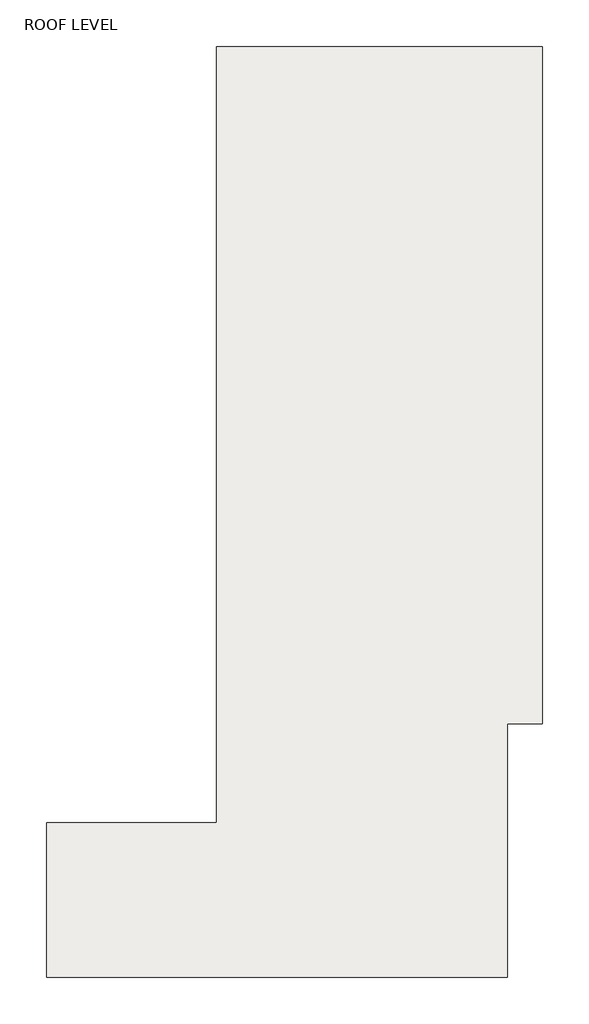
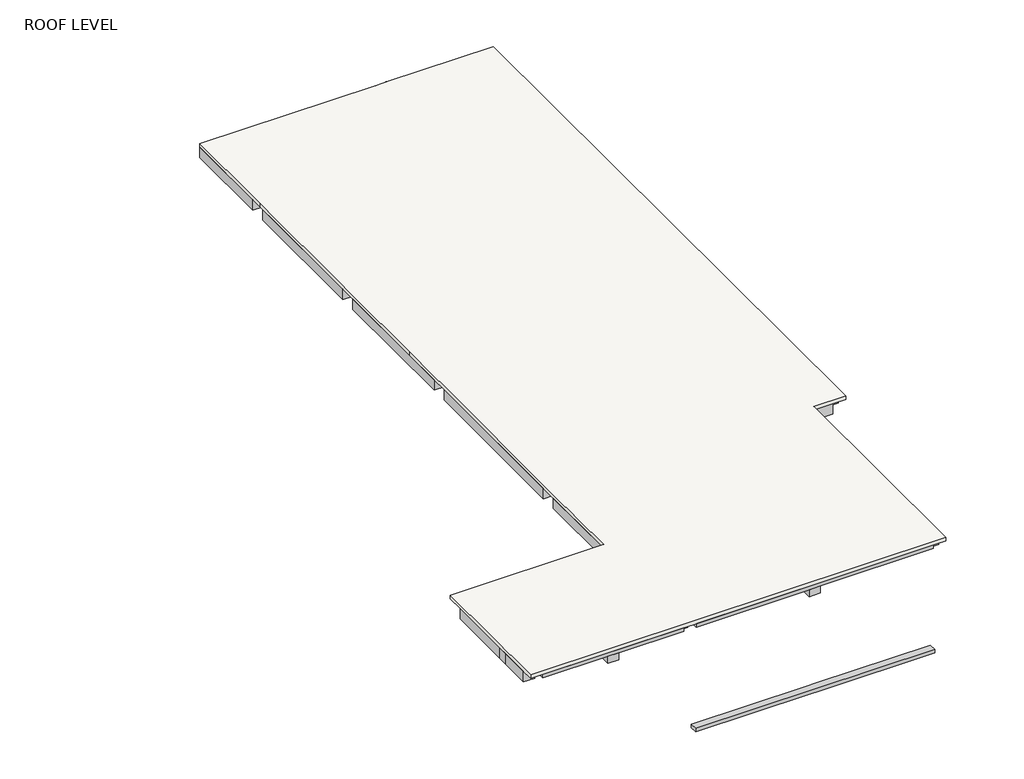
# One storey: 39 beams, 1 slab.
"""IFC4 building model written with IfcOpenShell, lengths in millimetres."""

from ifc_helpers import new_model, si_unit, frame, origin, place, context, project, spatial, polyline, outline, extrude, faceted_brep, element, save

model = new_model("IFC4")

# Units and contexts
model_context = context("Model", 3, world=origin())
ifc_project = project(units=[si_unit("LENGTHUNIT", "METRE", prefix="MILLI")], contexts=[model_context])

# Site, building, storey
site = spatial("IfcSite", under=ifc_project)
building = spatial("IfcBuilding", under=site)
storey = spatial("IfcBuildingStorey", under=building, Name="ROOF LEVEL", Elevation=6872.8300869)

# Beams
placement = place(None, origin())
element("IfcBeam", 1, ObjectType="SFA_BEAM : 300x300mm", at=placement, inside=storey, context=model_context, shape_type="Brep", body=[
    faceted_brep([(61617.0, 16905.0, 2072.8300869), (61617.0, 16905.0, 1922.8300869), (61617.0, 13855.0, 1922.8300869), (61617.0, 13405.0, 1922.8300869), (61617.0, 9655.0, 1922.8300869), (61617.0, 9655.0, 2072.8300869), (61617.0, 13405.0, 2072.8300869), (61617.0, 13855.0, 2072.8300869), (61617.0, 23325.0, 1922.8300869), (61902.0, 23325.0, 1922.8300869), (61902.0, 23775.0, 1922.8300869), (61617.0, 23775.0, 1922.8300869), (61617.0, 26560.0, 1922.8300869), (61917.0, 26560.0, 1922.8300869), (61917.0, 20565.0, 1922.8300869), (61917.0, 20115.0, 1922.8300869), (61917.0, 13855.0, 1922.8300869), (61917.0, 13405.0, 1922.8300869), (61917.0, 9655.0, 1922.8300869), (61902.0, 16905.0, 1922.8300869), (61902.0, 17355.0, 1922.8300869), (61617.0, 17355.0, 1922.8300869), (61617.0, 20115.0, 1922.8300869), (61617.0, 20565.0, 1922.8300869), (61917.0, 9655.0, 2072.8300869), (61917.0, 26560.0, 2072.8300869), (61902.0, 23325.0, 2072.8300869), (61617.0, 23325.0, 2072.8300869), (61617.0, 20565.0, 2072.8300869), (61617.0, 20115.0, 2072.8300869), (61617.0, 17355.0, 2072.8300869), (61902.0, 17355.0, 2072.8300869), (61902.0, 16905.0, 2072.8300869), (61617.0, 26560.0, 2072.8300869), (61617.0, 23775.0, 2072.8300869), (61902.0, 23775.0, 2072.8300869)], [[[0, 1, 2, 3, 4, 5, 6, 7]], [[8, 9, 10, 11, 12, 13, 14, 15, 16, 17, 18, 4, 3, 2, 1, 19, 20, 21, 22, 23]], [[24, 18, 17, 16, 15, 14, 13, 25]], [[26, 27, 28, 29, 30, 31, 32, 0, 7, 6, 5, 24, 25, 33, 34, 35]], [[26, 9, 8, 27]], [[10, 35, 34, 11]], [[9, 26, 35, 10]], [[32, 19, 1, 0]], [[20, 31, 30, 21]], [[19, 32, 31, 20]], [[5, 4, 18, 24]], [[11, 34, 33, 12]], [[27, 8, 23, 22, 21, 30, 29, 28]], [[13, 12, 33, 25]]]),
    faceted_brep([(61617.0, 29740.0, 1922.8300869), (61617.0, 29740.0, 2072.8300869), (61902.0, 29740.0, 2072.8300869), (61902.0, 29740.0, 1922.8300869), (61617.0, 30190.0, 2072.8300869), (61617.0, 30190.0, 1922.8300869), (61902.0, 30190.0, 1922.8300869), (61902.0, 30190.0, 2072.8300869), (61617.0, 33526.0, 2072.8300869), (61617.0, 33526.0, 1922.8300869), (61917.0, 33526.0, 1922.8300869), (61917.0, 33526.0, 2072.8300869), (61617.0, 27010.0, 1922.8300869), (61917.0, 27010.0, 1922.8300869), (61917.0, 27010.0, 2072.8300869), (61617.0, 27010.0, 2072.8300869), (61917.0, 30245.0, 2072.8300869)], [[[0, 1, 2, 3]], [[4, 5, 6, 7]], [[5, 4, 8, 9]], [[7, 6, 3, 2]], [[10, 9, 8, 11]], [[12, 13, 14, 15]], [[0, 3, 6, 5, 9, 10, 13, 12]], [[11, 16, 14, 13, 10]], [[2, 1, 15, 14, 16, 11, 8, 4, 7]], [[1, 0, 12, 15]]]),
])
element("IfcBeam", 2, ObjectType="SFA_BEAM : 300x300mm", at=placement, inside=storey, context=model_context, shape_type="Brep", body=[
    faceted_brep([(50455.0, -105.0, 1922.8300869), (55078.5, -105.0, 1922.8300869), (55528.5, -105.0, 1922.8300869), (60177.0, -105.0, 1922.8300869), (60177.0, -105.0, 2072.8300869), (50455.0, -105.0, 2072.8300869), (50455.0, 195.0, 1922.8300869), (55078.5, 195.0, 1922.8300869), (55528.5, 195.0, 1922.8300869), (60177.0, 195.0, 1922.8300869), (50455.0, 195.0, 2072.8300869), (55078.5, 195.0, 2072.8300869), (55528.5, 195.0, 2072.8300869), (60177.0, 195.0, 2072.8300869)], [[[0, 1, 2, 3, 4, 5]], [[0, 6, 7, 8, 9, 3, 2, 1]], [[9, 8, 7, 6, 10, 11, 12, 13]], [[6, 0, 5, 10]], [[3, 9, 13, 4]], [[5, 4, 13, 12, 11, 10]]]),
])
element("IfcBeam", 3, ObjectType="SFA_BEAM : 300x300mm", at=placement, inside=storey, context=model_context, shape_type="Brep", body=[
    faceted_brep([(60127.0, -105.0, 6422.8300869), (60127.0, -105.0, 6572.8300869), (50480.0, -105.0, 6572.8300869), (50480.0, -105.0, 6422.8300869), (55079.0503253, -105.0, 6422.8300869), (55529.0503253, -105.0, 6422.8300869), (60127.0, 195.0, 6422.8300869), (50480.0, 195.0, 6422.8300869), (55079.0503253, 195.0, 6422.8300869), (55529.0503253, 195.0, 6422.8300869), (60127.0, 195.0, 6572.8300869), (50480.0, 195.0, 6572.8300869), (55079.0503253, 195.0, 6572.8300869), (55529.0503253, 195.0, 6572.8300869)], [[[0, 1, 2, 3, 4, 5]], [[6, 0, 5, 4, 3, 7, 8, 9]], [[10, 6, 9, 8, 7, 11, 12, 13]], [[1, 10, 13, 12, 11, 2]], [[3, 2, 11, 7]], [[1, 0, 6, 10]]]),
    faceted_brep([(44250.0, -105.0, 6422.8300869), (44250.0, -105.0, 6572.8300869), (44250.0, 195.0, 6572.8300869), (44250.0, 195.0, 6422.8300869), (49980.0, -105.0, 6572.8300869), (49980.0, -105.0, 6422.8300869), (49980.0, 195.0, 6422.8300869), (49980.0, 195.0, 6572.8300869), (46890.0, -105.0, 6422.8300869), (47340.0, -105.0, 6422.8300869), (46890.0, 195.0, 6422.8300869), (47340.0, 195.0, 6422.8300869), (46890.0, 195.0, 6572.8300869), (47340.0, 195.0, 6572.8300869)], [[[0, 1, 2, 3]], [[4, 5, 6, 7]], [[1, 0, 8, 9, 5, 4]], [[0, 3, 10, 11, 6, 5, 9, 8]], [[3, 2, 12, 13, 7, 6, 11, 10]], [[2, 1, 4, 7, 13, 12]]]),
])
element("IfcBeam", 4, ObjectType="SFA_BEAM : 450x600mm", at=placement, inside=storey, context=model_context, shape_type="Brep", body=[
    faceted_brep([(49981.1006505, 1655.0, 6122.8300869), (50431.1006505, 1655.0, 6122.8300869), (55079.0503253, 1655.0, 6122.8300869), (55529.0503253, 1655.0, 6122.8300869), (60177.0, 1655.0, 6122.8300869), (60627.0, 1655.0, 6122.8300869), (60627.0, 1655.0, 6572.8300869), (60177.0, 1655.0, 6572.8300869), (55529.0503253, 1655.0, 6572.8300869), (55079.0503253, 1655.0, 6572.8300869), (50431.1006505, 1655.0, 6572.8300869), (49981.1006505, 1655.0, 6572.8300869), (60627.0, 2105.0, 6122.8300869), (49981.1006505, 2105.0, 6122.8300869), (50431.1006505, 2105.0, 6122.8300869), (60177.0, 2105.0, 6122.8300869), (49981.1006505, 2105.0, 6572.8300869), (50431.1006505, 2105.0, 6572.8300869), (60177.0, 2105.0, 6572.8300869), (60627.0, 2105.0, 6572.8300869)], [[[0, 1, 2, 3, 4, 5, 6, 7, 8, 9, 10, 11]], [[12, 5, 4, 3, 2, 1, 0, 13, 14, 15]], [[12, 15, 14, 13, 16, 17, 18, 19]], [[5, 12, 19, 6]], [[11, 10, 9, 8, 7, 6, 19, 18, 17, 16]], [[13, 0, 11, 16]]]),
])
element("IfcBeam", 5, ObjectType="SFA_BEAM : 450x600mm", at=placement, inside=storey, context=model_context, shape_type="Brep", body=[
    faceted_brep([(61417.0, 9205.0, 6122.8300869), (61417.0, 9205.0, 6572.8300869), (60627.0, 9205.0, 6572.8300869), (60177.0, 9205.0, 6572.8300869), (50480.0, 9205.0, 6572.8300869), (50480.0, 9205.0, 6122.8300869), (60177.0, 9205.0, 6122.8300869), (60627.0, 9205.0, 6122.8300869), (61417.0, 9655.0, 6122.8300869), (50480.0, 9655.0, 6122.8300869), (61417.0, 9655.0, 6572.8300869), (50480.0, 9655.0, 6572.8300869)], [[[0, 1, 2, 3, 4, 5, 6, 7]], [[8, 0, 7, 6, 5, 9]], [[10, 8, 9, 11]], [[0, 8, 10, 1]], [[1, 10, 11, 4, 3, 2]], [[5, 4, 11, 9]]]),
])
element("IfcBeam", 6, ObjectType="SFA_BEAM : 450x600mm", at=placement, inside=storey, context=model_context, shape_type="Brep", body=[
    faceted_brep([(60627.0, 9205.0, 6122.8300869), (60627.0, 9205.0, 6572.8300869), (60627.0, 9180.0, 6572.8300869), (60627.0, 5550.0, 6572.8300869), (60627.0, 5550.0, 6122.8300869), (60177.0, 9205.0, 6122.8300869), (60177.0, 5550.0, 6122.8300869), (60177.0, 7105.0, 6122.8300869), (60177.0, 7555.0, 6122.8300869), (60177.0, 9205.0, 6572.8300869), (60177.0, 5550.0, 6572.8300869), (60177.0, 7105.0, 6572.8300869), (60177.0, 7555.0, 6572.8300869)], [[[0, 1, 2, 3, 4]], [[5, 0, 4, 6, 7, 8]], [[9, 5, 8, 7, 6, 10, 11, 12]], [[0, 5, 9, 1]], [[1, 9, 12, 11, 10, 3, 2]], [[4, 3, 10, 6]]]),
    faceted_brep([(60177.0, 2105.0, 6122.8300869), (60627.0, 2105.0, 6122.8300869), (60627.0, 2105.0, 6572.8300869), (60177.0, 2105.0, 6572.8300869), (60627.0, 4850.0, 6572.8300869), (60627.0, 4850.0, 6122.8300869), (60177.0, 4850.0, 6122.8300869), (60177.0, 4850.0, 6572.8300869)], [[[0, 1, 2, 3]], [[4, 5, 6, 7]], [[2, 1, 5, 4]], [[1, 0, 6, 5]], [[0, 3, 7, 6]], [[3, 2, 4, 7]]]),
])
element("IfcBeam", 7, ObjectType="SFA_BEAM : 450x600mm", at=placement, inside=storey, context=model_context, shape_type="Brep", body=[
    faceted_brep([(61917.0, 16880.0, 6122.8300869), (61917.0, 16880.0, 6572.8300869), (61917.0, 9680.0, 6572.8300869), (61917.0, 9680.0, 6122.8300869), (61467.0, 16880.0, 6122.8300869), (61467.0, 9680.0, 6122.8300869), (61467.0, 11905.0, 6122.8300869), (61467.0, 12355.0, 6122.8300869), (61467.0, 14405.0, 6122.8300869), (61467.0, 14855.0, 6122.8300869), (61467.0, 16880.0, 6572.8300869), (61467.0, 9680.0, 6572.8300869), (61467.0, 11905.0, 6572.8300869), (61467.0, 12355.0, 6572.8300869), (61467.0, 14405.0, 6572.8300869), (61467.0, 14855.0, 6572.8300869)], [[[0, 1, 2, 3]], [[4, 0, 3, 5, 6, 7, 8, 9]], [[10, 4, 9, 8, 7, 6, 5, 11, 12, 13, 14, 15]], [[0, 4, 10, 1]], [[1, 10, 15, 14, 13, 12, 11, 2]], [[3, 2, 11, 5]]]),
])
element("IfcBeam", 8, ObjectType="SFA_BEAM : 450x600mm", at=placement, inside=storey, context=model_context, shape_type="Brep", body=[
    faceted_brep([(61917.0, 17380.0, 6122.8300869), (61917.0, 23300.0, 6122.8300869), (61917.0, 23300.0, 6572.8300869), (61917.0, 17380.0, 6572.8300869), (61467.0, 17380.0, 6122.8300869), (61467.0, 20125.0, 6122.8300869), (61467.0, 20575.0, 6122.8300869), (61467.0, 23300.0, 6122.8300869), (61467.0, 17380.0, 6572.8300869), (61467.0, 20125.0, 6572.8300869), (61467.0, 20575.0, 6572.8300869), (61467.0, 23300.0, 6572.8300869)], [[[0, 1, 2, 3]], [[0, 4, 5, 6, 7, 1]], [[7, 6, 5, 4, 8, 9, 10, 11]], [[4, 0, 3, 8]], [[1, 7, 11, 2]], [[3, 2, 11, 10, 9, 8]]]),
])
element("IfcBeam", 9, ObjectType="SFA_BEAM : 450x600mm", at=placement, inside=storey, context=model_context, shape_type="Brep", body=[
    faceted_brep([(61917.0, 23800.0, 6122.8300869), (61917.0, 29740.0, 6122.8300869), (61917.0, 29740.0, 6572.8300869), (61917.0, 23800.0, 6572.8300869), (61467.0, 23800.0, 6122.8300869), (61467.0, 26545.0, 6122.8300869), (61467.0, 26995.0, 6122.8300869), (61467.0, 29740.0, 6122.8300869), (61467.0, 23800.0, 6572.8300869), (61467.0, 26545.0, 6572.8300869), (61467.0, 26995.0, 6572.8300869), (61467.0, 29740.0, 6572.8300869)], [[[0, 1, 2, 3]], [[0, 4, 5, 6, 7, 1]], [[7, 6, 5, 4, 8, 9, 10, 11]], [[4, 0, 3, 8]], [[1, 7, 11, 2]], [[3, 2, 11, 10, 9, 8]]]),
])
element("IfcBeam", 10, ObjectType="SFA_BEAM : 450x600mm", at=placement, inside=storey, context=model_context, shape_type="Brep", body=[
    faceted_brep([(61417.0, 30190.0, 6122.8300869), (57574.5, 30190.0, 6122.8300869), (57124.5, 30190.0, 6122.8300869), (53307.0, 30190.0, 6122.8300869), (53307.0, 30190.0, 6572.8300869), (57124.5, 30190.0, 6572.8300869), (57574.5, 30190.0, 6572.8300869), (61417.0, 30190.0, 6572.8300869), (53307.0, 29740.0, 6122.8300869), (61417.0, 29740.0, 6122.8300869), (61417.0, 29740.0, 6572.8300869), (53307.0, 29740.0, 6572.8300869)], [[[0, 1, 2, 3, 4, 5, 6, 7]], [[8, 3, 2, 1, 0, 9]], [[8, 9, 10, 11]], [[3, 8, 11, 4]], [[9, 0, 7, 10]], [[7, 6, 5, 4, 11, 10]]]),
])
element("IfcBeam", 11, ObjectType="SFA_BEAM : 450x600mm", at=placement, inside=storey, context=model_context, shape_type="SweptSolid", body=[
    extrude(outline(polyline([(61417.0, 23775.0), (61417.0, 23325.0), (50480.0, 23325.0), (50480.0, 23775.0), (61417.0, 23775.0)])), frame((0.0, 0.0, 6122.8300869), z_axis=(0.0, 0.0, 1.0), x_axis=(1.0, 0.0, 0.0)), (0.0, 0.0, 1.0), 450.0),
])
element("IfcBeam", 12, ObjectType="SFA_BEAM : 450x600mm", at=placement, inside=storey, context=model_context, shape_type="SweptSolid", body=[
    extrude(outline(polyline([(61417.0, 17355.0), (61417.0, 16905.0), (50480.0, 16905.0), (50480.0, 17355.0), (61417.0, 17355.0)])), frame((0.0, 0.0, 6122.8300869), z_axis=(0.0, 0.0, 1.0), x_axis=(1.0, 0.0, 0.0)), (0.0, 0.0, 1.0), 450.0),
])
element("IfcBeam", 13, ObjectType="SFA_BEAM : 450x600mm", at=placement, inside=storey, context=model_context, shape_type="SweptSolid", body=[
    extrude(outline(polyline([(61917.0, 30240.0), (61467.0, 30240.0), (61467.0, 33475.7619911), (61917.0, 33475.7619911), (61917.0, 30240.0)])), frame((0.0, 0.0, 6122.8300869), z_axis=(0.0, 0.0, 1.0), x_axis=(1.0, 0.0, 0.0)), (0.0, 0.0, 1.0), 450.0),
])
element("IfcBeam", 14, ObjectType="SFA_BEAM : 450x600mm", at=placement, inside=storey, context=model_context, shape_type="SweptSolid", body=[
    extrude(outline(polyline([(52707.0, 33475.7619911), (53157.0, 33475.7619911), (53157.0, 30240.0), (52707.0, 30240.0), (52707.0, 33475.7619911)])), frame((0.0, 0.0, 6122.8300869), z_axis=(0.0, 0.0, 1.0), x_axis=(1.0, 0.0, 0.0)), (0.0, 0.0, 1.0), 450.0),
])
element("IfcBeam", 15, ObjectType="SFA_BEAM : 450x600mm", at=placement, inside=storey, context=model_context, shape_type="Brep", body=[
    faceted_brep([(57124.5, 33976.0, 6722.8300869), (57574.5, 33976.0, 6722.8300869), (57574.5, 33976.0, 6122.8300869), (57124.5, 33976.0, 6122.8300869), (57124.5, 33975.7619911, 6722.8300869), (57574.5, 33975.7619911, 6722.8300869), (57574.5, 33975.7619911, 6572.8300869), (57574.5, 33525.7619911, 6572.8300869), (57574.5, 30190.0, 6572.8300869), (57574.5, 30190.0, 6122.8300869), (57574.5, 33525.7619911, 6122.8300869), (57574.5, 33975.7619911, 6122.8300869), (57124.5, 30190.0, 6122.8300869), (57124.5, 33525.7619911, 6122.8300869), (57124.5, 33975.7619911, 6122.8300869), (57124.5, 30190.0, 6572.8300869), (57124.5, 33525.7619911, 6572.8300869), (57124.5, 33975.7619911, 6572.8300869)], [[[0, 1, 2, 3]], [[1, 0, 4, 5]], [[2, 1, 5, 6, 7, 8, 9, 10, 11]], [[3, 2, 11, 10, 9, 12, 13, 14]], [[0, 3, 14, 13, 12, 15, 16, 17, 4]], [[12, 9, 8, 15]], [[6, 17, 16, 15, 8, 7]], [[17, 6, 5, 4]]]),
])
element("IfcBeam", 16, ObjectType="SFA_BEAM : 450x600mm", at=placement, inside=storey, context=model_context, shape_type="SweptSolid", body=[
    extrude(outline(polyline([(1655.0, 6572.8300869), (1655.0, 6122.8300869), (-105.0, 6122.8300869), (-105.0, 6422.8300869), (195.0, 6422.8300869), (195.0, 6572.8300869), (1655.0, 6572.8300869)])), frame((55079.0503253, 0.0, 0.0), z_axis=(1.0, 0.0, 0.0), x_axis=(0.0, 1.0, 0.0)), (0.0, 0.0, 1.0), 450.0),
])
element("IfcBeam", 17, ObjectType="SFA_BEAM : 450x600mm", at=placement, inside=storey, context=model_context, shape_type="SweptSolid", body=[
    extrude(outline(polyline([(60177.0, 1655.0), (60627.0, 1655.0), (60627.0, 395.0), (60177.0, 395.0), (60177.0, 1655.0)])), frame((0.0, 0.0, 6122.8300869), z_axis=(0.0, 0.0, 1.0), x_axis=(1.0, 0.0, 0.0)), (0.0, 0.0, 1.0), 450.0),
])
element("IfcBeam", 18, ObjectType="SFA_BEAM : 450x600mm", at=placement, inside=storey, context=model_context, shape_type="Brep", body=[
    faceted_brep([(50431.1006505, 33975.7619911, 6122.8300869), (49981.1006505, 33975.7619911, 6122.8300869), (49981.1006505, 33975.7619911, 6572.8300869), (50431.1006505, 33975.7619911, 6572.8300869), (50431.1006505, 33525.7619911, 6572.8300869), (50431.1006505, 30241.2049246, 6572.8300869), (50431.1006505, 30241.2049246, 6122.8300869), (50431.1006505, 33525.7619911, 6122.8300869), (49981.1006505, 30241.2049246, 6122.8300869), (49981.1006505, 30241.2049246, 6572.8300869)], [[[0, 1, 2, 3]], [[0, 3, 4, 5, 6, 7]], [[1, 0, 7, 6, 8]], [[2, 1, 8, 9]], [[3, 2, 9, 5, 4]], [[6, 5, 9, 8]]]),
])
element("IfcBeam", 19, ObjectType="SFA_BEAM : 450x600mm", at=placement, inside=storey, context=model_context, shape_type="SweptSolid", body=[
    extrude(outline(polyline([(52557.0, 30190.0), (52557.0, 29740.0), (50480.0, 29740.0), (50480.0, 30190.0), (52557.0, 30190.0)])), frame((0.0, 0.0, 6122.8300869), z_axis=(0.0, 0.0, 1.0), x_axis=(1.0, 0.0, 0.0)), (0.0, 0.0, 1.0), 450.0),
])
element("IfcBeam", 20, ObjectType="SFA_BEAM : 450x600mm", at=placement, inside=storey, context=model_context, shape_type="Brep", body=[
    faceted_brep([(49981.1006505, 23900.0, 6122.8300869), (49981.1006505, 23900.0, 6572.8300869), (49981.1006505, 29541.2049246, 6572.8300869), (49981.1006505, 29541.2049246, 6122.8300869), (50431.1006505, 23900.0, 6122.8300869), (50431.1006505, 29541.2049246, 6122.8300869), (50431.1006505, 26995.0, 6122.8300869), (50431.1006505, 26545.0, 6122.8300869), (50431.1006505, 23900.0, 6572.8300869), (50431.1006505, 29541.2049246, 6572.8300869), (50431.1006505, 26995.0, 6572.8300869), (50431.1006505, 26545.0, 6572.8300869)], [[[0, 1, 2, 3]], [[4, 0, 3, 5, 6, 7]], [[8, 4, 7, 6, 5, 9, 10, 11]], [[1, 8, 11, 10, 9, 2]], [[1, 0, 4, 8]], [[3, 2, 9, 5]]]),
])
element("IfcBeam", 21, ObjectType="SFA_BEAM : 450x600mm", at=placement, inside=storey, context=model_context, shape_type="Brep", body=[
    faceted_brep([(49981.1006505, 9780.0, 6122.8300869), (49981.1006505, 9780.0, 6572.8300869), (49981.1006505, 16780.0, 6572.8300869), (49981.1006505, 16780.0, 6122.8300869), (50431.1006505, 9780.0, 6122.8300869), (50431.1006505, 16780.0, 6122.8300869), (50431.1006505, 14855.0, 6122.8300869), (50431.1006505, 14405.0, 6122.8300869), (50431.1006505, 12355.0, 6122.8300869), (50431.1006505, 11905.0, 6122.8300869), (50431.1006505, 9780.0, 6572.8300869), (50431.1006505, 16780.0, 6572.8300869), (50431.1006505, 14855.0, 6572.8300869), (50431.1006505, 14405.0, 6572.8300869), (50431.1006505, 12355.0, 6572.8300869), (50431.1006505, 11905.0, 6572.8300869)], [[[0, 1, 2, 3]], [[4, 0, 3, 5, 6, 7, 8, 9]], [[10, 4, 9, 8, 7, 6, 5, 11, 12, 13, 14, 15]], [[1, 10, 15, 14, 13, 12, 11, 2]], [[1, 0, 4, 10]], [[3, 2, 11, 5]]]),
])
element("IfcBeam", 22, ObjectType="SFA_BEAM : 450x600mm", at=placement, inside=storey, context=model_context, shape_type="SweptSolid", body=[
    extrude(outline(polyline([(49981.1006505, 4850.0), (50431.1006505, 4850.0), (50431.1006505, 2105.0), (49981.1006505, 2105.0), (49981.1006505, 4850.0)])), frame((0.0, 0.0, 6122.8300869), z_axis=(0.0, 0.0, 1.0), x_axis=(1.0, 0.0, 0.0)), (0.0, 0.0, 1.0), 450.0),
])
element("IfcBeam", 23, ObjectType="SFA_BEAM : 450x600mm", at=placement, inside=storey, context=model_context, shape_type="SweptSolid", body=[
    extrude(outline(polyline([(60127.0, 5550.0), (60127.0, 5100.0), (50480.0, 5100.0), (50480.0, 5550.0), (60127.0, 5550.0)])), frame((0.0, 0.0, 6122.8300869), z_axis=(0.0, 0.0, 1.0), x_axis=(1.0, 0.0, 0.0)), (0.0, 0.0, 1.0), 450.0),
])
element("IfcBeam", 24, ObjectType="SFA_BEAM : 450x600mm", at=placement, inside=storey, context=model_context, shape_type="SweptSolid", body=[
    extrude(outline(polyline([(49981.1006505, 1655.0), (50431.1006505, 1655.0), (50431.1006505, 395.0), (49981.1006505, 395.0), (49981.1006505, 1655.0)])), frame((0.0, 0.0, 6122.8300869), z_axis=(0.0, 0.0, 1.0), x_axis=(1.0, 0.0, 0.0)), (0.0, 0.0, 1.0), 450.0),
])
element("IfcBeam", 25, ObjectType="SFA_BEAM : 450x600mm", at=placement, inside=storey, context=model_context, shape_type="Brep", body=[
    faceted_brep([(49981.1006505, 2105.0, 6122.8300869), (44200.0000001, 2105.0, 6122.8300869), (43750.0000001, 2105.0, 6122.8300869), (43750.0000001, 2105.0, 6572.8300869), (44200.0000001, 2105.0, 6572.8300869), (49981.1006505, 2105.0, 6572.8300869), (49981.1006505, 1655.0, 6122.8300869), (47340.0, 1655.0, 6122.8300869), (46890.0, 1655.0, 6122.8300869), (44200.0000001, 1655.0, 6122.8300869), (43750.0000001, 1655.0, 6122.8300869), (49981.1006505, 1655.0, 6572.8300869), (47340.0, 1655.0, 6572.8300869), (46890.0, 1655.0, 6572.8300869), (44200.0000001, 1655.0, 6572.8300869), (43750.0000001, 1655.0, 6572.8300869)], [[[0, 1, 2, 3, 4, 5]], [[0, 6, 7, 8, 9, 10, 2, 1]], [[10, 9, 8, 7, 6, 11, 12, 13, 14, 15]], [[6, 0, 5, 11]], [[5, 4, 3, 15, 14, 13, 12, 11]], [[2, 10, 15, 3]]]),
])
element("IfcBeam", 26, ObjectType="SFA_BEAM : 450x600mm", at=placement, inside=storey, context=model_context, shape_type="SweptSolid", body=[
    extrude(outline(polyline([(44200.0000001, 2105.0), (43750.0000001, 2105.0), (43750.0000001, 4850.0), (44200.0000001, 4850.0), (44200.0000001, 2105.0)])), frame((0.0, 0.0, 6122.8300869), z_axis=(0.0, 0.0, 1.0), x_axis=(1.0, 0.0, 0.0)), (0.0, 0.0, 1.0), 450.0),
])
element("IfcBeam", 27, ObjectType="SFA_BEAM : 450x600mm", at=placement, inside=storey, context=model_context, shape_type="SweptSolid", body=[
    extrude(outline(polyline([(44250.0, 5100.0), (44250.0, 5550.0), (49980.0, 5550.0), (49980.0, 5100.0), (44250.0, 5100.0)])), frame((0.0, 0.0, 6122.8300869), z_axis=(0.0, 0.0, 1.0), x_axis=(1.0, 0.0, 0.0)), (0.0, 0.0, 1.0), 450.0),
])
element("IfcBeam", 28, ObjectType="SFA_BEAM : 450x600mm", at=placement, inside=storey, context=model_context, shape_type="SweptSolid", body=[
    extrude(outline(polyline([(43750.0000001, 1655.0), (44200.0000001, 1655.0), (44200.0000001, 395.0), (43750.0000001, 395.0), (43750.0000001, 1655.0)])), frame((0.0, 0.0, 6122.8300869), z_axis=(0.0, 0.0, 1.0), x_axis=(1.0, 0.0, 0.0)), (0.0, 0.0, 1.0), 450.0),
])
element("IfcBeam", 29, ObjectType="SFA_BEAM : 450x600mm", at=placement, inside=storey, context=model_context, shape_type="SweptSolid", body=[
    extrude(outline(polyline([(1655.0, 6572.8300869), (1655.0, 6122.8300869), (-105.0, 6122.8300869), (-105.0, 6422.8300869), (195.0, 6422.8300869), (195.0, 6572.8300869), (1655.0, 6572.8300869)])), frame((46890.0, 0.0, 0.0), z_axis=(1.0, 0.0, 0.0), x_axis=(0.0, 1.0, 0.0)), (0.0, 0.0, 1.0), 450.0),
])
element("IfcBeam", 30, ObjectType="SFA_BEAM : 450x600mm", at=placement, inside=storey, context=model_context, shape_type="Brep", body=[
    faceted_brep([(50431.1006505, 5550.0, 6572.8300869), (50431.1006505, 5550.0, 6122.8300869), (50431.1006505, 7105.0, 6122.8300869), (50431.1006505, 7555.0, 6122.8300869), (50431.1006505, 9080.0, 6122.8300869), (50431.1006505, 9080.0, 6572.8300869), (50431.1006505, 7555.0, 6572.8300869), (50431.1006505, 7105.0, 6572.8300869), (49981.1006505, 5550.0, 6122.8300869), (49981.1006505, 9080.0, 6122.8300869), (49981.1006505, 5550.0, 6572.8300869), (49981.1006505, 9080.0, 6572.8300869)], [[[0, 1, 2, 3, 4, 5, 6, 7]], [[1, 8, 9, 4, 3, 2]], [[8, 10, 11, 9]], [[8, 1, 0, 10]], [[10, 0, 7, 6, 5, 11]], [[5, 4, 9, 11]]]),
])
element("IfcBeam", 31, ObjectType="SFA_BEAM : 450x600mm", at=placement, inside=storey, context=model_context, shape_type="Brep", body=[
    faceted_brep([(50431.1006505, 17480.0, 6572.8300869), (50431.1006505, 17480.0, 6122.8300869), (50431.1006505, 20125.0, 6122.8300869), (50431.1006505, 20575.0, 6122.8300869), (50431.1006505, 23200.0, 6122.8300869), (50431.1006505, 23200.0, 6572.8300869), (50431.1006505, 20575.0, 6572.8300869), (50431.1006505, 20125.0, 6572.8300869), (49981.1006505, 17480.0, 6122.8300869), (49981.1006505, 23200.0, 6122.8300869), (49981.1006505, 17480.0, 6572.8300869), (49981.1006505, 19205.0, 6572.8300869), (49981.1006505, 23200.0, 6572.8300869)], [[[0, 1, 2, 3, 4, 5, 6, 7]], [[1, 8, 9, 4, 3, 2]], [[8, 10, 11, 12, 9]], [[10, 0, 7, 6, 5, 12, 11]], [[1, 0, 10, 8]], [[5, 4, 9, 12]]]),
])
element("IfcBeam", 32, ObjectType="SFA_BEAM : 450x600mm", at=placement, inside=storey, context=model_context, shape_type="SweptSolid", body=[
    extrude(outline(polyline([(50431.1006505, 33525.7619911), (50431.1006505, 33975.7619911), (52558.1006505, 33975.7619911), (52558.1006505, 33525.7619911), (50431.1006505, 33525.7619911)])), frame((0.0, 0.0, 6122.8300869), z_axis=(0.0, 0.0, 1.0), x_axis=(1.0, 0.0, 0.0)), (0.0, 0.0, 1.0), 450.0),
])
element("IfcBeam", 33, ObjectType="SFA_BEAM : 450x600mm", at=placement, inside=storey, context=model_context, shape_type="SweptSolid", body=[
    extrude(outline(polyline([(57124.5, 33975.7619911), (57124.5, 33525.7619911), (53308.1006505, 33525.7619911), (53308.1006505, 33975.7619911), (57124.5, 33975.7619911)])), frame((0.0, 0.0, 6122.8300869), z_axis=(0.0, 0.0, 1.0), x_axis=(1.0, 0.0, 0.0)), (0.0, 0.0, 1.0), 450.0),
])
element("IfcBeam", 34, ObjectType="SFA_BEAM : 450x600mm", at=placement, inside=storey, context=model_context, shape_type="SweptSolid", body=[
    extrude(outline(polyline([(57574.5, 33525.7619911), (57574.5, 33975.7619911), (61417.0, 33975.7619911), (61417.0, 33525.7619911), (57574.5, 33525.7619911)])), frame((0.0, 0.0, 6122.8300869), z_axis=(0.0, 0.0, 1.0), x_axis=(1.0, 0.0, 0.0)), (0.0, 0.0, 1.0), 450.0),
])
element("IfcBeam", 35, ObjectType="SFA_BEAM : 450x600mm", at=placement, inside=storey, context=model_context, shape_type="SweptSolid", body=[
    extrude(outline(polyline([(61467.0, 26995.0), (61467.0, 26545.0), (50431.1006505, 26545.0), (50431.1006505, 26995.0), (61467.0, 26995.0)])), frame((0.0, 0.0, 6122.8300869), z_axis=(0.0, 0.0, 1.0), x_axis=(1.0, 0.0, 0.0)), (0.0, 0.0, 1.0), 450.0),
])
element("IfcBeam", 36, ObjectType="SFA_BEAM : 450x600mm", at=placement, inside=storey, context=model_context, shape_type="SweptSolid", body=[
    extrude(outline(polyline([(61467.0, 20575.0), (61467.0, 20125.0), (50431.1006505, 20125.0), (50431.1006505, 20575.0), (61467.0, 20575.0)])), frame((0.0, 0.0, 6122.8300869), z_axis=(0.0, 0.0, 1.0), x_axis=(1.0, 0.0, 0.0)), (0.0, 0.0, 1.0), 450.0),
])
element("IfcBeam", 37, ObjectType="SFA_BEAM : 450x600mm", at=placement, inside=storey, context=model_context, shape_type="SweptSolid", body=[
    extrude(outline(polyline([(61467.0, 14855.0), (61467.0, 14405.0), (50431.1006505, 14405.0), (50431.1006505, 14855.0), (61467.0, 14855.0)])), frame((0.0, 0.0, 6122.8300869), z_axis=(0.0, 0.0, 1.0), x_axis=(1.0, 0.0, 0.0)), (0.0, 0.0, 1.0), 450.0),
])
element("IfcBeam", 38, ObjectType="SFA_BEAM : 450x600mm", at=placement, inside=storey, context=model_context, shape_type="SweptSolid", body=[
    extrude(outline(polyline([(61467.0, 12355.0), (61467.0, 11905.0), (50431.1006505, 11905.0), (50431.1006505, 12355.0), (61467.0, 12355.0)])), frame((0.0, 0.0, 6122.8300869), z_axis=(0.0, 0.0, 1.0), x_axis=(1.0, 0.0, 0.0)), (0.0, 0.0, 1.0), 450.0),
])
element("IfcBeam", 39, ObjectType="SFA_BEAM : 450x600mm", at=placement, inside=storey, context=model_context, shape_type="SweptSolid", body=[
    extrude(outline(polyline([(50431.1006505, 7105.0), (50431.1006505, 7555.0), (60177.0, 7555.0), (60177.0, 7105.0), (50431.1006505, 7105.0)])), frame((0.0, 0.0, 6122.8300869), z_axis=(0.0, 0.0, 1.0), x_axis=(1.0, 0.0, 0.0)), (0.0, 0.0, 1.0), 450.0),
])

# Slab
element("IfcSlab", 40, ObjectType="FLR-STR-CON-150_RCC SLAB", at=placement, inside=storey, context=model_context, shape_type="Brep", body=[
    faceted_brep([(61917.0, 33975.7619911, 6572.8300869), (61917.0, 33475.7619911, 6572.8300869), (61917.0, 30240.0, 6572.8300869), (61917.0, 29740.0, 6572.8300869), (61917.0, 23800.0, 6572.8300869), (61917.0, 23300.0, 6572.8300869), (61917.0, 17380.0, 6572.8300869), (61917.0, 16880.0, 6572.8300869), (61917.0, 9680.0, 6572.8300869), (61917.0, 9180.0, 6572.8300869), (61417.0, 9180.0, 6572.8300869), (60627.0, 9180.0, 6572.8300869), (60627.0, 5550.0, 6572.8300869), (60627.0, 4850.0, 6572.8300869), (60627.0, 2105.0, 6572.8300869), (60627.0, 1655.0, 6572.8300869), (60627.0, 395.0, 6572.8300869), (60627.0, -105.0, 6572.8300869), (60127.0, -105.0, 6572.8300869), (50480.0, -105.0, 6572.8300869), (49980.0, -105.0, 6572.8300869), (44250.0, -105.0, 6572.8300869), (43750.0000001, -105.0, 6572.8300869), (43750.0000001, 395.0, 6572.8300869), (43750.0000001, 1655.0, 6572.8300869), (43750.0000001, 2105.0, 6572.8300869), (43750.0000001, 4850.0, 6572.8300869), (43750.0000001, 5550.0, 6572.8300869), (44250.0, 5550.0, 6572.8300869), (49980.0, 5550.0, 6572.8300869), (49981.1006505, 5550.0, 6572.8300869), (49981.1006505, 9080.0, 6572.8300869), (49981.1006505, 9780.0, 6572.8300869), (49981.1006505, 16780.0, 6572.8300869), (49981.1006505, 17480.0, 6572.8300869), (49981.1006505, 19205.0, 6572.8300869), (49981.1006505, 23200.0, 6572.8300869), (49981.1006505, 23900.0, 6572.8300869), (49981.1006505, 29541.2049246, 6572.8300869), (49981.1006505, 29734.99134, 6572.8300869), (49981.1006505, 30241.2049246, 6572.8300869), (49981.1006505, 33275.7619911, 6572.8300869), (49981.1006505, 33975.7619911, 6572.8300869), (50431.1006505, 33975.7619911, 6572.8300869), (50481.1006505, 33975.7619911, 6572.8300869), (52558.1006505, 33975.7619911, 6572.8300869), (53308.1006505, 33975.7619911, 6572.8300869), (57124.5, 33975.7619911, 6572.8300869), (57574.5, 33975.7619911, 6572.8300869), (61417.0, 33975.7619911, 6572.8300869), (61917.0, 33975.7619911, 6722.8300869), (57574.5, 33975.7619911, 6722.8300869), (57124.5, 33975.7619911, 6722.8300869), (49981.1006505, 33975.7619911, 6722.8300869), (49981.1006505, 30241.2049246, 6722.8300869), (49981.1006505, 29734.99134, 6722.8300869), (49981.1006505, 29541.2049246, 6722.8300869), (49981.1006505, 23900.0, 6722.8300869), (49981.1006505, 23200.0, 6722.8300869), (49981.1006505, 19205.0, 6722.8300869), (49981.1006505, 17480.0, 6722.8300869), (49981.1006505, 16780.0, 6722.8300869), (49981.1006505, 9780.0, 6722.8300869), (49981.1006505, 9080.0, 6722.8300869), (49981.1006505, 5550.0, 6722.8300869), (43750.0000001, 5550.0, 6722.8300869), (43750.0000001, -105.0, 6722.8300869), (60627.0, -105.0, 6722.8300869), (60627.0, 9180.0, 6722.8300869), (61917.0, 9180.0, 6722.8300869)], [[[0, 1, 2, 3, 4, 5, 6, 7, 8, 9, 10, 11, 12, 13, 14, 15, 16, 17, 18, 19, 20, 21, 22, 23, 24, 25, 26, 27, 28, 29, 30, 31, 32, 33, 34, 35, 36, 37, 38, 39, 40, 41, 42, 43, 44, 45, 46, 47, 48, 49]], [[50, 51, 52, 53, 54, 55, 56, 57, 58, 59, 60, 61, 62, 63, 64, 65, 66, 67, 68, 69]], [[9, 8, 7, 6, 5, 4, 3, 2, 1, 0, 50, 69]], [[11, 10, 9, 69, 68]], [[17, 16, 15, 14, 13, 12, 11, 68, 67]], [[22, 21, 20, 19, 18, 17, 67, 66]], [[0, 49, 48, 47, 46, 45, 44, 43, 42, 53, 52, 51, 50]], [[27, 26, 25, 24, 23, 22, 66, 65]], [[30, 29, 28, 27, 65, 64]], [[35, 34, 33, 32, 31, 30, 64, 63, 62, 61, 60, 59]], [[39, 38, 37, 36, 35, 59, 58, 57, 56, 55]], [[42, 41, 40, 39, 55, 54, 53]]]),
])

save(model, "model.ifc")
